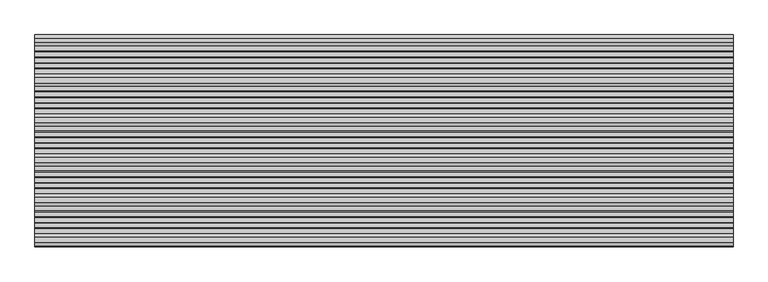
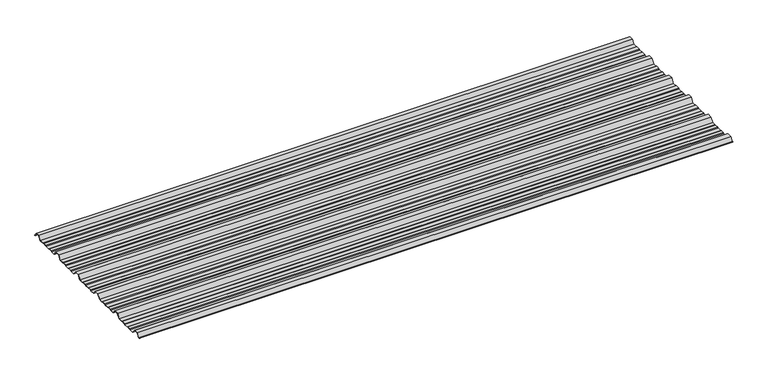
"""IFC4 building model written with IfcOpenShell, lengths in millimetres: beam geometry."""

from ifc_helpers import new_model, si_unit, point, frame, frame_2d, origin, place, context, project, spatial, polyline, circle_curve, trimmed, segment, composite_curve, outline, extrude, source, transform, mapped, element, save


def beam_5a92237c(model_context):
    return source(origin(), model_context, "Body", "SweptSolid", [
        extrude(outline(composite_curve([segment(polyline([(-159.5006096, -7.7896475), (-173.0, -25.7896475), (-191.1560825, -25.7896475), (-195.2826844, -23.7896475), (-212.8895196, -23.7896475), (-216.1536836, -25.7896475), (-234.9266573, -25.7896475), (-237.9681158, -23.7896475), (-253.6339196, -23.7896475), (-256.6775615, -25.7896475), (-277.0, -25.7896475), (-290.4993904, -7.7896475), (-309.5006096, -7.7896475), (-323.0, -25.7896475), (-341.1560825, -25.7896475), (-345.2826844, -23.7896475), (-362.8895196, -23.7896475), (-366.1536836, -25.7896475), (-384.9266573, -25.7896475), (-387.9681158, -23.7896475), (-403.6339196, -23.7896475), (-406.6775615, -25.7896475), (-427.0, -25.7896475), (-440.4993904, -7.7896475), (-459.5006096, -7.7896475), (-473.0, -25.7896475), (-491.1560825, -25.7896475), (-495.2826844, -23.7896475), (-512.8895196, -23.7896475), (-516.1536836, -25.7896475), (-534.9266573, -25.7896475), (-537.9681158, -23.7896475), (-553.6339196, -23.7896475), (-556.6775615, -25.7896475), (-577.0, -25.7896475), (-590.4993904, -7.7896475), (-609.5006096, -7.7896475), (-623.0, -25.7896475), (-641.1560825, -25.7896475), (-645.2826844, -23.7896475), (-662.8895196, -23.7896475), (-666.1536836, -25.7896475), (-684.9266573, -25.7896475), (-687.9681158, -23.7896475), (-703.6339196, -23.7896475), (-706.6775615, -25.7896475), (-727.0, -25.7896475), (-740.4993904, -7.7896475), (-759.5006096, -7.7896475), (-771.5000677, -23.7896475), (-775.173385, -23.7896475)]), True, "CONTINUOUS"), segment(trimmed(circle_curve(frame_2d((-775.173385, -23.2896475)), 0.5), [point((-775.173385, -23.7896475))], [point((-775.173385, -22.7896475))], False, "CARTESIAN"), True, "CONTINUOUS"), segment(polyline([(-775.173385, -22.7896475), (-771.9994581, -22.7896475), (-760.0, -6.7896475), (-740.0, -6.7896475), (-726.5006096, -24.7896475), (-706.9767126, -24.7896475), (-703.9330707, -22.7896475), (-687.6687853, -22.7896475), (-684.6273268, -24.7896475), (-666.4356788, -24.7896475), (-663.1715148, -22.7896475), (-645.0531246, -22.7896475), (-640.9265226, -24.7896475), (-623.4993904, -24.7896475), (-610.0, -6.7896475), (-590.0, -6.7896475), (-576.5006096, -24.7896475), (-556.9767126, -24.7896475), (-553.9330707, -22.7896475), (-537.6687853, -22.7896475), (-534.6273268, -24.7896475), (-516.4356788, -24.7896475), (-513.1715148, -22.7896475), (-495.0531246, -22.7896475), (-490.9265226, -24.7896475), (-473.4993904, -24.7896475), (-460.0, -6.7896475), (-440.0, -6.7896475), (-426.5006096, -24.7896475), (-406.9767126, -24.7896475), (-403.9330707, -22.7896475), (-387.6687853, -22.7896475), (-384.6273268, -24.7896475), (-366.4356788, -24.7896475), (-363.1715148, -22.7896475), (-345.0531246, -22.7896475), (-340.9265226, -24.7896475), (-323.4993904, -24.7896475), (-310.0, -6.7896475), (-290.0, -6.7896475), (-276.5006096, -24.7896475), (-256.9767126, -24.7896475), (-253.9330707, -22.7896475), (-237.6687853, -22.7896475), (-234.6273268, -24.7896475), (-216.4356788, -24.7896475), (-213.1715148, -22.7896475), (-195.0531246, -22.7896475), (-190.9265226, -24.7896475), (-173.4993904, -24.7896475), (-160.0, -6.7896475), (-140.0, -6.7896475), (-126.5006096, -24.7896475), (-106.9767126, -24.7896475), (-103.9330707, -22.7896475), (-87.6687853, -22.7896475), (-84.6273268, -24.7896475), (-66.4356788, -24.7896475), (-63.1715148, -22.7896475), (-45.0531246, -22.7896475), (-40.9265226, -24.7896475), (-20.999431, -24.7896475), (-8.9999729, -8.7896475), (8.9999729, -8.7896475), (20.6572433, -24.3333765)]), True, "CONTINUOUS"), segment(trimmed(circle_curve(frame_2d((20.2574362, -24.6332183)), 0.4997507), [point((20.6572433, -24.3333765))], [point((19.8576291, -24.9330601))], False, "CARTESIAN"), True, "CONTINUOUS"), segment(polyline([(19.8576291, -24.9330601), (8.5005825, -9.7896475), (-8.5005825, -9.7896475), (-20.5000406, -25.7896475), (-41.1560825, -25.7896475), (-45.2826844, -23.7896475), (-62.8895196, -23.7896475), (-66.1536836, -25.7896475), (-84.9266573, -25.7896475), (-87.9681158, -23.7896475), (-103.6339196, -23.7896475), (-106.6775615, -25.7896475), (-127.0, -25.7896475), (-140.4993904, -7.7896475), (-159.5006096, -7.7896475)]), True, "CONTINUOUS")], self_intersect=False)), frame((-1308.2215701, 0.0, 0.0), z_axis=(1.0, 0.0, 0.0), x_axis=(0.0, 1.0, 0.0)), (0.0, 0.0, 1.0), 2616.4431401),
    ])


if __name__ == "__main__":
    model = new_model("IFC4")
    model_context = context("Model", 3, world=origin())
    ifc_project = project(units=[si_unit("LENGTHUNIT", "METRE", prefix="MILLI")], contexts=[model_context])
    site = spatial("IfcSite", under=ifc_project)
    building = spatial("IfcBuilding", under=site)
    placement = place(None, origin())
    beam_shape = beam_5a92237c(model_context)
    element("IfcBeam", 1, at=placement, inside=building, context=model_context, shape_type="MappedRepresentation", body=[
        mapped(beam_shape, transform((0.0, 0.0, 0.0), x_axis=(1.0, 0.0, 0.0), y_axis=(0.0, 1.0, 0.0), z_axis=(0.0, 0.0, 1.0))),
    ])
    save(model, "model.ifc")
